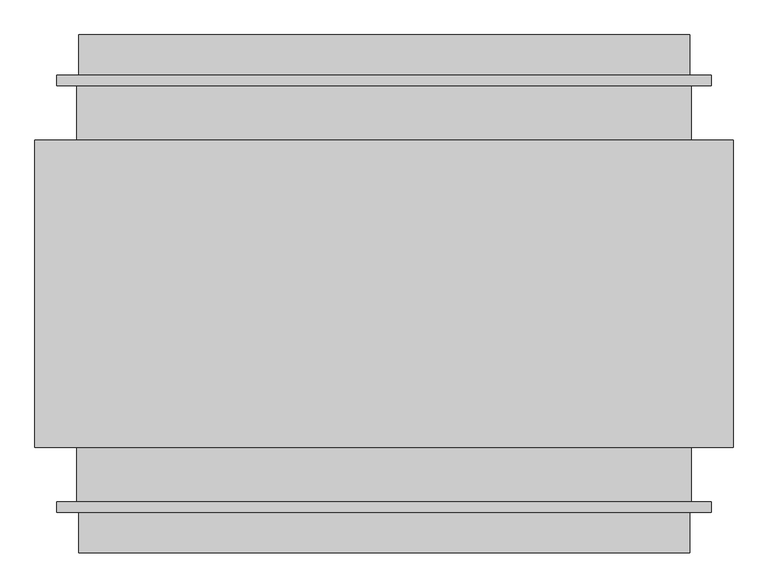
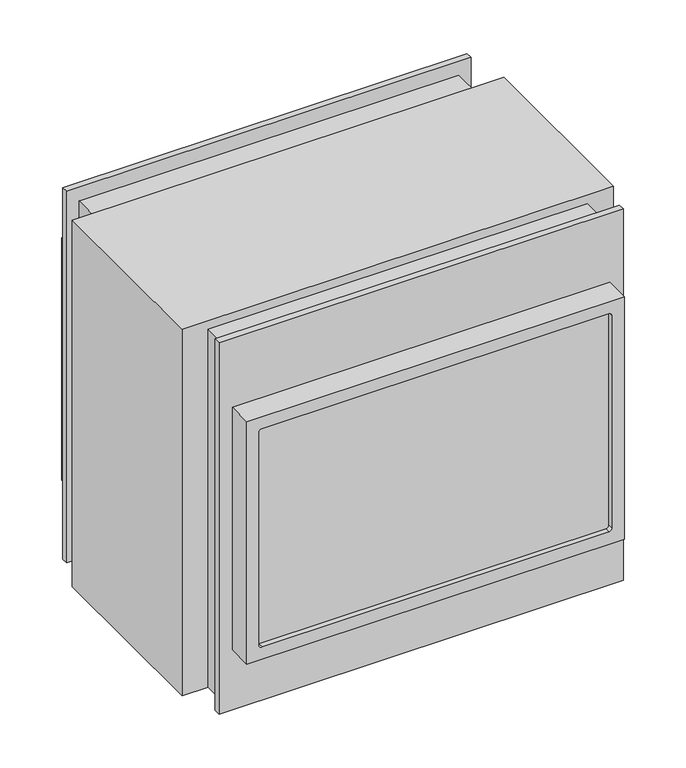
"""IFC4 building model written with IfcOpenShell, lengths in millimetres: proxy geometry."""

import ifcopenshell
import ifcopenshell.guid

model = None  # the IFC model being written
_history = None  # IfcOwnerHistory: only IFC2X3 demands one
_inside = {}  # id of a spatial element -> (the spatial element, [elements in it])
_under = {}  # id of a project, library or spatial element -> (it, [spatial elements below it])
_declared = {}  # id of a project -> (the project, [libraries it declares])
_typed = {}  # id of a type object -> (the type object, [elements of that type])
_made_of = {}  # id of a material, layer set ... -> (it, [elements and type objects made of it])


def new_model(schema):
    """Start an empty IFC model of exactly this schema.

    Asked for "IFC4X3", IfcOpenShell would pick the latest addendum, in which some entities
    have other attributes; the version numbers below select the first issue.
    IFC2X3 requires an IfcOwnerHistory on every rooted entity: one is made here for all.
    """
    global model, _history
    if schema == "IFC4X3":
        model = ifcopenshell.file(schema_version=(4, 3, 0, 0))
    else:
        model = ifcopenshell.file(schema=schema)
    _inside.clear()
    _under.clear()
    _declared.clear()
    _typed.clear()
    _made_of.clear()
    _history = None
    if model.schema == "IFC2X3":
        org = make("IfcOrganization", Name="unknown")
        user = make(
            "IfcPersonAndOrganization",
            ThePerson=make("IfcPerson", FamilyName="unknown"),
            TheOrganization=org,
        )
        app = make(
            "IfcApplication",
            ApplicationDeveloper=org,
            Version="unknown",
            ApplicationFullName="unknown",
            ApplicationIdentifier="unknown",
        )
        _history = make(
            "IfcOwnerHistory",
            OwningUser=user,
            OwningApplication=app,
            ChangeAction="ADDED",
            CreationDate=0,
        )
    return model


def make(cls, **values):
    """One entity of the class cls with the attributes given. An attribute that is None is left unset."""
    return model.create_entity(
        cls, **{name: value for name, value in values.items() if value is not None}
    )


def rooted(cls, **values):
    """An entity with a GlobalId (a new one), such as an element, a storey or a relation."""
    return make(cls, GlobalId=ifcopenshell.guid.new(), OwnerHistory=_history, **values)


def si_unit(unit_type, name, prefix=None):
    """IfcSIUnit, for example si_unit("LENGTHUNIT", "METRE", prefix="MILLI")."""
    return make("IfcSIUnit", UnitType=unit_type, Prefix=prefix, Name=name)


def assignment(units):
    """IfcUnitAssignment: the units of a project."""
    return None if units is None else make("IfcUnitAssignment", Units=units)


def point(xyz):
    """IfcCartesianPoint."""
    return None if xyz is None else make("IfcCartesianPoint", Coordinates=xyz)


def direction(xyz):
    """IfcDirection."""
    return None if xyz is None else make("IfcDirection", DirectionRatios=xyz)


def frame(location, z_axis=None, x_axis=None):
    """IfcAxis2Placement3D, a coordinate frame: its origin and axes. An axis left out is left unset."""
    return make(
        "IfcAxis2Placement3D",
        Location=point(location),
        Axis=direction(z_axis),
        RefDirection=direction(x_axis),
    )


def origin():
    """The frame at (0, 0, 0) with its axes left unset."""
    return frame((0.0, 0.0, 0.0))


def origin_with_axes():
    """The frame at (0, 0, 0) with the z axis (0, 0, 1) and the x axis (1, 0, 0) written out."""
    return frame((0.0, 0.0, 0.0), z_axis=(0.0, 0.0, 1.0), x_axis=(1.0, 0.0, 0.0))


def place(relative_to, where):
    """IfcLocalPlacement: puts the frame where relative to a parent placement (None: the world)."""
    return make(
        "IfcLocalPlacement", PlacementRelTo=relative_to, RelativePlacement=where
    )


def context(
    kind, dimensions, precision=None, world=None, true_north=None, identifier=None
):
    """IfcGeometricRepresentationContext, for example the 3D "Model" context."""
    return make(
        "IfcGeometricRepresentationContext",
        ContextIdentifier=identifier,
        ContextType=kind,
        CoordinateSpaceDimension=dimensions,
        Precision=precision,
        WorldCoordinateSystem=world,
        TrueNorth=true_north,
    )


def project(units=None, contexts=None):
    """IfcProject with its units and contexts."""
    return rooted(
        "IfcProject",
        Name="project",
        RepresentationContexts=contexts,
        UnitsInContext=assignment(units),
    )


def spatial(cls, under=None, at=None, **own):
    """A site, building, storey or space (cls), placed at a placement, below another one or the project."""
    s = rooted(cls, ObjectPlacement=at, **own)
    if under is not None:
        _under.setdefault(under.id(), (under, []))[1].append(s)
    return s


def polyline(points):
    """IfcPolyline through the points."""
    return make("IfcPolyline", Points=[point(p) for p in points])


def circle_curve(where, radius):
    """IfcCircle in the frame where."""
    return make("IfcCircle", Position=where, Radius=radius)


def outline(outer, holes=None, kind="AREA"):
    """IfcArbitraryClosedProfileDef: a profile drawn as a closed curve; with holes, ...WithVoids."""
    if holes is None:
        return make("IfcArbitraryClosedProfileDef", ProfileType=kind, OuterCurve=outer)
    return make(
        "IfcArbitraryProfileDefWithVoids",
        ProfileType=kind,
        OuterCurve=outer,
        InnerCurves=holes,
    )


def extrude(swept, where, along, depth):
    """IfcExtrudedAreaSolid: the profile swept, set in the frame where, extruded along a direction by depth."""
    return make(
        "IfcExtrudedAreaSolid",
        SweptArea=swept,
        Position=where,
        ExtrudedDirection=direction(along),
        Depth=depth,
    )


def faces_of(points, faces, orient=None, outer=None):
    """IfcFace entities. A face is a list of loops; a loop is a list of indices into points, from 0.

    orient and outer hold one flag for each loop. By default every Orientation is true, the
    first loop of a face is its IfcFaceOuterBound and the others are IfcFaceBound.
    """
    made = []
    for i, loops in enumerate(faces):
        bounds = []
        for j, loop in enumerate(loops):
            is_outer = j == 0 if outer is None else outer[i][j]
            bounds.append(
                make(
                    "IfcFaceOuterBound" if is_outer else "IfcFaceBound",
                    Bound=make("IfcPolyLoop", Polygon=[points[k] for k in loop]),
                    Orientation=True if orient is None else orient[i][j],
                )
            )
        made.append(make("IfcFace", Bounds=bounds))
    return made


def faceted_brep(points, faces, orient=None, outer=None, voids=None):
    """IfcFacetedBrep: a solid bounded by flat faces; with voids (closed shells), ...WithVoids."""
    shared = [point(p) for p in points]
    hull = make("IfcClosedShell", CfsFaces=faces_of(shared, faces, orient, outer))
    if voids is None:
        return make("IfcFacetedBrep", Outer=hull)
    return make(
        "IfcFacetedBrepWithVoids",
        Outer=hull,
        Voids=[
            make(cls, CfsFaces=faces_of(shared, fs, o, b)) for cls, fs, o, b in voids
        ],
    )


def shape(context_of_items, identifier, shape_type, items):
    """IfcShapeRepresentation: the items that make up one representation, for example the "Body"."""
    return make(
        "IfcShapeRepresentation",
        ContextOfItems=context_of_items,
        RepresentationIdentifier=identifier,
        RepresentationType=shape_type,
        Items=items,
    )


def source(mapping_origin, context_of_items, identifier, shape_type, items):
    """IfcRepresentationMap: a shape defined once, which mapped items show again and again."""
    return make(
        "IfcRepresentationMap",
        MappingOrigin=mapping_origin,
        MappedRepresentation=shape(context_of_items, identifier, shape_type, items),
    )


def transform(
    local_origin,
    x_axis=None,
    y_axis=None,
    z_axis=None,
    scale=None,
    scale2=None,
    scale3=None,
    uniform=True,
):
    """IfcCartesianTransformationOperator3D, or its non-uniform kind. x_axis, y_axis, z_axis: its Axis1, 2, 3."""
    if uniform:
        return make(
            "IfcCartesianTransformationOperator3D",
            Axis1=direction(x_axis),
            Axis2=direction(y_axis),
            LocalOrigin=point(local_origin),
            Scale=scale,
            Axis3=direction(z_axis),
        )
    return make(
        "IfcCartesianTransformationOperator3DnonUniform",
        Axis1=direction(x_axis),
        Axis2=direction(y_axis),
        LocalOrigin=point(local_origin),
        Scale=scale,
        Axis3=direction(z_axis),
        Scale2=scale2,
        Scale3=scale3,
    )


def mapped(mapping_source, mapping_target):
    """IfcMappedItem: shows the shape of a source again, moved by a transform."""
    return make(
        "IfcMappedItem", MappingSource=mapping_source, MappingTarget=mapping_target
    )


def made_of(thing, what):
    """Note that an element or type object is made of a material, layer set ...; save() writes the relation."""
    if what is not None:
        _made_of.setdefault(what.id(), (what, []))[1].append(thing)
    return thing


def element(
    cls,
    number,
    at=None,
    inside=None,
    cuts=None,
    type_object=None,
    material=None,
    context=None,
    identifier="Body",
    shape_type=None,
    held_by="IfcProductDefinitionShape",
    body=None,
    shapes=None,
    **own,
):
    """One element of the class cls, such as IfcWall. Its Tag is "e" and its number.

    at: its placement. inside: the storey or other place that contains it. cuts: it is an
    opening in that element (IfcRelVoidsElement). A single representation is given by context,
    identifier, shape_type and body (its items); several are given by shapes. held_by: the class
    of the entity that holds the representations. save() writes the other relations.
    """
    e = rooted(cls, Tag="e%d" % number, ObjectPlacement=at, **own)
    if body is not None:
        shapes = [shape(context, identifier, shape_type, body)]
    if shapes is not None:
        e.Representation = make(held_by, Representations=shapes)
    if inside is not None:
        _inside.setdefault(inside.id(), (inside, []))[1].append(e)
    if cuts is not None:
        rooted(
            "IfcRelVoidsElement", RelatingBuildingElement=cuts, RelatedOpeningElement=e
        )
    if type_object is not None:
        _typed.setdefault(type_object.id(), (type_object, []))[1].append(e)
    return made_of(e, material)


def aggregate(whole, parts):
    """IfcRelAggregates: a whole, such as a stair, and the parts it consists of."""
    return rooted("IfcRelAggregates", RelatingObject=whole, RelatedObjects=parts)


def save(model, path):
    """Write the relations noted so far, then the file.

    IfcRelAggregates (storeys below a building ...), IfcRelContainedInSpatialStructure (elements
    in a storey), IfcRelDefinesByType, IfcRelAssociatesMaterial and IfcRelDeclares: one each for
    every whole, place, type object, material and project.
    """
    for whole, parts in _under.values():
        aggregate(whole, parts)
    for where, things in _inside.values():
        rooted(
            "IfcRelContainedInSpatialStructure",
            RelatedElements=things,
            RelatingStructure=where,
        )
    for kind, things in _typed.values():
        rooted("IfcRelDefinesByType", RelatedObjects=things, RelatingType=kind)
    for what, things in _made_of.values():
        rooted("IfcRelAssociatesMaterial", RelatedObjects=things, RelatingMaterial=what)
    for by, libraries in _declared.values():
        rooted("IfcRelDeclares", RelatingContext=by, RelatedDefinitions=libraries)
    model.write(path)


def plane_surface(at):
    """IfcPlane: the flat surface through the origin of the frame at, square to its z axis."""
    return make("IfcPlane", Position=at)


def revolved_surface(curve, axis_point, axis_direction):
    """IfcSurfaceOfRevolution: the curve turned about the line through axis_point along axis_direction."""
    return make(
        "IfcSurfaceOfRevolution",
        SweptCurve=make("IfcArbitraryOpenProfileDef", ProfileType="CURVE", Curve=curve),
        AxisPosition=make("IfcAxis1Placement", Location=point(axis_point), Axis=direction(axis_direction)),
    )


def advanced_brep(points, edges, surfaces, faces):
    """IfcAdvancedBrep: a solid bounded by faces that lie on surfaces and meet in shared edges.

    An edge is (start, end): straight between two places in points (the first is 0);
    or (start, end, curve); or (start, end, curve, False) where it runs against its curve.
    A face is (place in surfaces, loops), or (place, loops, False) where it looks against
    its surface's normal. A loop lists edges by number (the first is 1), with a minus sign
    where the edge is run from its end to its start. The first loop is the outer one.
    """
    corners = [point(p) for p in points]
    vertices = [make("IfcVertexPoint", VertexGeometry=c) for c in corners]
    made = []
    for start, end, *more in edges:
        made.append(
            make(
                "IfcEdgeCurve",
                EdgeStart=vertices[start],
                EdgeEnd=vertices[end],
                EdgeGeometry=more[0] if more else make("IfcPolyline", Points=[corners[start], corners[end]]),
                SameSense=more[1] if len(more) > 1 else True,
            )
        )
    hull = []
    for where, loops, *sense in faces:
        bounds = []
        for j, loop in enumerate(loops):
            ring = [make("IfcOrientedEdge", EdgeElement=made[abs(k) - 1], Orientation=k > 0) for k in loop]
            bounds.append(
                make(
                    "IfcFaceOuterBound" if j == 0 else "IfcFaceBound",
                    Bound=make("IfcEdgeLoop", EdgeList=ring),
                    Orientation=True,
                )
            )
        hull.append(make("IfcAdvancedFace", Bounds=bounds, FaceSurface=surfaces[where], SameSense=sense[0] if sense else True))
    return make("IfcAdvancedBrep", Outer=make("IfcClosedShell", CfsFaces=hull))


def generic_models_5af98010(model_context):
    return source(origin(), model_context, "Body", "SolidModel", [
        extrude(outline(polyline([(479.4876128, 304.9269915), (-479.3623835, 304.9269915), (-479.3623835, 320.7766116), (479.4876128, 320.7766116), (479.4876128, 304.9269915)])), origin_with_axes(), (0.0, 0.0, 1.0), 931.1327934),
        advanced_brep(
        [(447.7375895, 320.7766116, 758.1556439), (447.7375895, 379.6963394, 758.1556439), (-447.7375895, 379.6963394, 758.1556439), (-447.7375895, 320.7766116, 758.1556439), (447.7375895, 320.7766116, 150.3648376), (-447.7375895, 320.7766116, 150.3648376), (-447.7375895, 379.6963394, 150.3648376), (447.7375895, 379.6963394, 150.3648376), (-418.5275974, 379.6963394, 187.7926396), (-411.5425974, 379.6963394, 180.8076396), (411.4174026, 379.6963394, 180.8076396), (418.4024026, 379.6963394, 187.7926396), (418.4024026, 379.6963394, 720.4814396), (411.4174026, 379.6963394, 727.4664396), (-411.5425974, 379.6963394, 727.4664396), (-418.5275974, 379.6963394, 720.4814396), (-418.5275974, 366.7125, 187.7926396), (-418.5275974, 366.7125, 720.4814396), (-411.5425974, 366.7125, 727.4664396), (411.4174026, 366.7125, 727.4664396), (418.4024026, 366.7125, 720.4814396), (418.4024026, 366.7125, 187.7926396), (411.4174026, 366.7125, 180.8076396), (-411.5425974, 366.7125, 180.8076396)],
        [
            (0, 1),
            (1, 2),
            (2, 3),
            (3, 0),
            (4, 5),
            (5, 6),
            (6, 7),
            (7, 4),
            (3, 5),
            (4, 0),
            (2, 6),
            (1, 7),
            (8, 9, circle_curve(frame((-411.5425974, 379.6963394, 187.7926396), z_axis=(0.0, -1.0, 0.0), x_axis=(1.0, 0.0, 0.0)), 6.985)),
            (9, 10),
            (10, 11, circle_curve(frame((411.4174026, 379.6963394, 187.7926396), z_axis=(0.0, -1.0, 0.0), x_axis=(1.0, 0.0, 0.0)), 6.985)),
            (11, 12),
            (12, 13, circle_curve(frame((411.4174026, 379.6963394, 720.4814396), z_axis=(0.0, -1.0, 0.0), x_axis=(1.0, 0.0, 0.0)), 6.985)),
            (13, 14),
            (14, 15, circle_curve(frame((-411.5425974, 379.6963394, 720.4814396), z_axis=(0.0, -1.0, 0.0), x_axis=(1.0, 0.0, 0.0)), 6.985)),
            (15, 8),
            (16, 17),
            (17, 18, circle_curve(frame((-411.5425974, 366.7125, 720.4814396), z_axis=(0.0, 1.0, 0.0), x_axis=(1.0, 0.0, 0.0)), 6.985)),
            (18, 19),
            (19, 20, circle_curve(frame((411.4174026, 366.7125, 720.4814396), z_axis=(0.0, 1.0, 0.0), x_axis=(1.0, 0.0, 0.0)), 6.985)),
            (20, 21),
            (21, 22, circle_curve(frame((411.4174026, 366.7125, 187.7926396), z_axis=(0.0, 1.0, 0.0), x_axis=(1.0, 0.0, 0.0)), 6.985)),
            (22, 23),
            (23, 16, circle_curve(frame((-411.5425974, 366.7125, 187.7926396), z_axis=(0.0, 1.0, 0.0), x_axis=(1.0, 0.0, 0.0)), 6.985)),
            (23, 9),
            (8, 16),
            (22, 10),
            (21, 11),
            (20, 12),
            (19, 13),
            (18, 14),
            (17, 15),
        ],
        [
            plane_surface(frame((447.7375895, 336.55, 758.1556439), z_axis=(0.0, 0.0, 1.0), x_axis=(0.0, 1.0, 0.0))),
            plane_surface(frame((447.7375895, 336.55, 150.3648376), z_axis=(0.0, 0.0, -1.0), x_axis=(0.0, -1.0, 0.0))),
            plane_surface(frame((-447.7375895, 320.7766116, 758.1556439), z_axis=(0.0, -1.0, 0.0), x_axis=(0.0, 0.0, -1.0))),
            plane_surface(frame((-447.7375895, 379.6963394, 758.1556439), z_axis=(-1.0, 0.0, 0.0), x_axis=(0.0, 0.0, -1.0))),
            plane_surface(frame((447.7375895, 379.6963394, 758.1556439), z_axis=(0.0, 1.0, 0.0), x_axis=(0.0, 0.0, -1.0))),
            plane_surface(frame((447.7375895, 320.7766116, 758.1556439), z_axis=(1.0, 0.0, 0.0), x_axis=(0.0, 0.0, -1.0))),
            plane_surface(frame((-418.5275974, 366.7125, 720.4814396), z_axis=(0.0, 1.0, 0.0), x_axis=(0.0, 0.0, -1.0))),
            revolved_surface(polyline([(-404.55759739999996, 379.6963394, 187.7926396), (-404.55759739999996, 366.7125, 187.7926396)]), (-411.5425974, 366.7125, 187.7926396), (0.0, 1.0, 0.0)),
            plane_surface(frame((411.4174026, 468.3125, 180.8076396), z_axis=(0.0, 0.0, 1.0), x_axis=(0.0, -1.0, 0.0))),
            revolved_surface(polyline([(418.4024026, 379.6963394, 187.7926396), (418.4024026, 366.7125, 187.7926396)]), (411.4174026, 366.7125, 187.7926396), (0.0, 1.0, 0.0)),
            plane_surface(frame((418.4024026, 468.3125, 720.4814396), z_axis=(-1.0, 0.0, 0.0), x_axis=(0.0, -1.0, 0.0))),
            revolved_surface(polyline([(418.4024026, 379.6963394, 720.4814396), (418.4024026, 366.7125, 720.4814396)]), (411.4174026, 366.7125, 720.4814396), (0.0, 1.0, 0.0)),
            plane_surface(frame((-411.5425974, 468.3125, 727.4664396), z_axis=(0.0, 0.0, -1.0), x_axis=(0.0, -1.0, 0.0))),
            revolved_surface(polyline([(-404.55759739999996, 379.6963394, 720.4814396), (-404.55759739999996, 366.7125, 720.4814396)]), (-411.5425974, 366.7125, 720.4814396), (0.0, 1.0, 0.0)),
            plane_surface(frame((-418.5275974, 468.3125, 187.7926396), z_axis=(1.0, 0.0, 0.0), x_axis=(0.0, -1.0, 0.0))),
        ],
        [
            (0, [[1, 2, 3, 4]]),
            (1, [[5, 6, 7, 8]]),
            (2, [[-4, 9, -5, 10]]),
            (3, [[-3, 11, -6, -9]]),
            (4, [[-2, 12, -7, -11], [13, 14, 15, 16, 17, 18, 19, 20]]),
            (5, [[-1, -10, -8, -12]]),
            (6, [[21, 22, 23, 24, 25, 26, 27, 28]]),
            (7, [[-28, 29, -13, 30]]),
            (8, [[-27, 31, -14, -29]]),
            (9, [[-26, 32, -15, -31]]),
            (10, [[-25, 33, -16, -32]]),
            (11, [[-24, 34, -17, -33]]),
            (12, [[-23, 35, -18, -34]]),
            (13, [[-22, 36, -19, -35]]),
            (14, [[-21, -30, -20, -36]]),
        ],
    ),
        advanced_brep(
        [(447.7375895, -320.7766116, 758.1556439), (-447.7375895, -320.7766116, 758.1556439), (-447.7375895, -379.6963394, 758.1556439), (447.7375895, -379.6963394, 758.1556439), (447.7375895, -320.7766116, 150.3648376), (447.7375895, -379.6963394, 150.3648376), (-447.7375895, -379.6963394, 150.3648376), (-447.7375895, -320.7766116, 150.3648376), (-411.5425974, -379.6963394, 180.8076396), (-418.5275974, -379.6963394, 187.7926396), (-418.5275974, -379.6963394, 720.4814396), (-411.5425974, -379.6963394, 727.4664396), (411.4174026, -379.6963394, 727.4664396), (418.4024026, -379.6963394, 720.4814396), (418.4024026, -379.6963394, 187.7926396), (411.4174026, -379.6963394, 180.8076396), (-418.5275974, -366.7125, 187.7926396), (-411.5425974, -366.7125, 180.8076396), (411.4174026, -366.7125, 180.8076396), (418.4024026, -366.7125, 187.7926396), (418.4024026, -366.7125, 720.4814396), (411.4174026, -366.7125, 727.4664396), (-411.5425974, -366.7125, 727.4664396), (-418.5275974, -366.7125, 720.4814396)],
        [
            (0, 1),
            (1, 2),
            (2, 3),
            (3, 0),
            (4, 5),
            (5, 6),
            (6, 7),
            (7, 4),
            (0, 4),
            (7, 1),
            (6, 2),
            (5, 3),
            (8, 9, circle_curve(frame((-411.5425974, -379.6963394, 187.7926396), z_axis=(0.0, 1.0, 0.0), x_axis=(1.0, 0.0, 0.0)), 6.985)),
            (9, 10),
            (10, 11, circle_curve(frame((-411.5425974, -379.6963394, 720.4814396), z_axis=(0.0, 1.0, 0.0), x_axis=(1.0, 0.0, 0.0)), 6.985)),
            (11, 12),
            (12, 13, circle_curve(frame((411.4174026, -379.6963394, 720.4814396), z_axis=(0.0, 1.0, 0.0), x_axis=(1.0, 0.0, 0.0)), 6.985)),
            (13, 14),
            (14, 15, circle_curve(frame((411.4174026, -379.6963394, 187.7926396), z_axis=(0.0, 1.0, 0.0), x_axis=(1.0, 0.0, 0.0)), 6.985)),
            (15, 8),
            (16, 17, circle_curve(frame((-411.5425974, -366.7125, 187.7926396), z_axis=(0.0, -1.0, 0.0), x_axis=(1.0, 0.0, 0.0)), 6.985)),
            (17, 18),
            (18, 19, circle_curve(frame((411.4174026, -366.7125, 187.7926396), z_axis=(0.0, -1.0, 0.0), x_axis=(1.0, 0.0, 0.0)), 6.985)),
            (19, 20),
            (20, 21, circle_curve(frame((411.4174026, -366.7125, 720.4814396), z_axis=(0.0, -1.0, 0.0), x_axis=(1.0, 0.0, 0.0)), 6.985)),
            (21, 22),
            (22, 23, circle_curve(frame((-411.5425974, -366.7125, 720.4814396), z_axis=(0.0, -1.0, 0.0), x_axis=(1.0, 0.0, 0.0)), 6.985)),
            (23, 16),
            (16, 9),
            (8, 17),
            (15, 18),
            (14, 19),
            (13, 20),
            (12, 21),
            (11, 22),
            (10, 23),
        ],
        [
            plane_surface(frame((-782.1849866, -320.7766116, 758.1556439), z_axis=(0.0, 0.0, 1.0), x_axis=(-1.0, 0.0, 0.0))),
            plane_surface(frame((-782.1849866, -320.7766116, 150.3648376), z_axis=(0.0, 0.0, -1.0), x_axis=(1.0, 0.0, 0.0))),
            plane_surface(frame((447.7375895, -320.7766116, 758.1556439), z_axis=(0.0, 1.0, 0.0), x_axis=(0.0, 0.0, -1.0))),
            plane_surface(frame((-447.7375895, -320.7766116, 758.1556439), z_axis=(-1.0, 0.0, 0.0), x_axis=(0.0, 0.0, -1.0))),
            plane_surface(frame((-447.7375895, -379.6963394, 758.1556439), z_axis=(0.0, -1.0, 0.0), x_axis=(0.0, 0.0, -1.0))),
            plane_surface(frame((447.7375895, -379.6963394, 758.1556439), z_axis=(1.0, 0.0, 0.0), x_axis=(0.0, 0.0, -1.0))),
            plane_surface(frame((-404.5575974, -366.7125, 187.7926396), z_axis=(0.0, -1.0, 0.0), x_axis=(0.0, 0.0, -1.0))),
            revolved_surface(polyline([(-404.55759739999996, -379.6963394, 187.7926396), (-404.55759739999996, -366.7125, 187.7926396)]), (-411.5425974, -366.7125, 187.7926396), (0.0, -1.0, 0.0)),
            plane_surface(frame((-411.5425974, -468.3125, 180.8076396), z_axis=(0.0, 0.0, 1.0), x_axis=(0.0, 1.0, 0.0))),
            revolved_surface(polyline([(418.4024026, -379.6963394, 187.7926396), (418.4024026, -366.7125, 187.7926396)]), (411.4174026, -366.7125, 187.7926396), (0.0, -1.0, 0.0)),
            plane_surface(frame((418.4024026, -468.3125, 187.7926396), z_axis=(-1.0, 0.0, 0.0), x_axis=(0.0, 1.0, 0.0))),
            revolved_surface(polyline([(418.4024026, -379.6963394, 720.4814396), (418.4024026, -366.7125, 720.4814396)]), (411.4174026, -366.7125, 720.4814396), (0.0, -1.0, 0.0)),
            plane_surface(frame((411.4174026, -468.3125, 727.4664396), z_axis=(0.0, 0.0, -1.0), x_axis=(0.0, 1.0, 0.0))),
            revolved_surface(polyline([(-404.55759739999996, -379.6963394, 720.4814396), (-404.55759739999996, -366.7125, 720.4814396)]), (-411.5425974, -366.7125, 720.4814396), (0.0, -1.0, 0.0)),
            plane_surface(frame((-418.5275974, -468.3125, 720.4814396), z_axis=(1.0, 0.0, 0.0), x_axis=(0.0, 1.0, 0.0))),
        ],
        [
            (0, [[1, 2, 3, 4]]),
            (1, [[5, 6, 7, 8]]),
            (2, [[-1, 9, -8, 10]]),
            (3, [[-2, -10, -7, 11]]),
            (4, [[-3, -11, -6, 12], [13, 14, 15, 16, 17, 18, 19, 20]]),
            (5, [[-4, -12, -5, -9]]),
            (6, [[21, 22, 23, 24, 25, 26, 27, 28]]),
            (7, [[-21, 29, -13, 30]]),
            (8, [[-22, -30, -20, 31]]),
            (9, [[-23, -31, -19, 32]]),
            (10, [[-24, -32, -18, 33]]),
            (11, [[-25, -33, -17, 34]]),
            (12, [[-26, -34, -16, 35]]),
            (13, [[-27, -35, -15, 36]]),
            (14, [[-28, -36, -14, -29]]),
        ],
    ),
        faceted_brep([(479.4876128, -304.9269915, 931.1327934), (-479.3623835, -304.9269915, 931.1327934), (-479.3623835, -320.7766116, 931.1327934), (479.4876128, -320.7766116, 931.1327934), (479.4876128, -304.9269915, 0.0), (479.4876128, -320.7766116, 0.0), (-479.3623835, -320.7766116, 0.0), (-479.3623835, -304.9269915, 0.0), (-450.3158407, -304.9269915, 0.0), (-450.3158407, -225.425005, 0.0), (-511.73307, -225.425005, 0.0), (-511.73307, 225.425005, 0.0), (-450.3158407, 225.425005, 0.0), (-450.3158407, 304.9269915, 0.0), (449.7708529, 304.9269915, 0.0), (449.7708529, 225.425005, 0.0), (511.3789886, 225.425005, 0.0), (511.3789886, -225.425005, 0.0), (449.7708529, -225.425005, 0.0), (449.7708529, -304.9269915, 0.0), (449.7708529, -304.9269915, 897.0264196), (-450.3158407, -304.9269915, 897.0264196), (449.7708529, -225.425005, 897.0264196), (-450.3158407, -225.425005, 897.0264196), (449.7708529, 304.9269915, 897.0264196), (-450.3158407, 304.9269915, 897.0264196), (-450.3158407, 225.425005, 897.0264196), (449.7708529, 225.425005, 897.0264196), (511.3789886, 225.425005, 918.5401797), (-511.73307, 225.425005, 918.5401797), (-511.73307, -225.425005, 918.5401797), (511.3789886, -225.425005, 918.5401797)], [[[0, 1, 2, 3]], [[4, 5, 6, 7, 8, 9, 10, 11, 12, 13, 14, 15, 16, 17, 18, 19]], [[1, 0, 4, 19, 20, 21, 8, 7]], [[2, 1, 7, 6]], [[3, 2, 6, 5]], [[0, 3, 5, 4]], [[21, 20, 22, 23]], [[24, 25, 26, 27]], [[25, 24, 14, 13]], [[8, 21, 23, 9]], [[25, 13, 12, 26]], [[20, 19, 18, 22]], [[14, 24, 27, 15]], [[28, 29, 30, 31]], [[29, 28, 16, 15, 27, 26, 12, 11]], [[30, 29, 11, 10]], [[31, 30, 10, 9, 23, 22, 18, 17]], [[28, 31, 17, 16]]]),
    ])


if __name__ == "__main__":
    model = new_model("IFC4")
    model_context = context("Model", 3, world=origin())
    ifc_project = project(units=[si_unit("LENGTHUNIT", "METRE", prefix="MILLI")], contexts=[model_context])
    site = spatial("IfcSite", under=ifc_project)
    building = spatial("IfcBuilding", under=site)
    placement = place(None, origin())
    generic_models_shape = generic_models_5af98010(model_context)
    element("IfcBuildingElementProxy", 1, Name="Generic Models", at=placement, inside=building, context=model_context, shape_type="MappedRepresentation", body=[
        mapped(generic_models_shape, transform((0.0, 0.0, 0.0), x_axis=(1.0, 0.0, 0.0), y_axis=(0.0, 1.0, 0.0), z_axis=(0.0, 0.0, 1.0))),
    ])
    save(model, "model.ifc")
